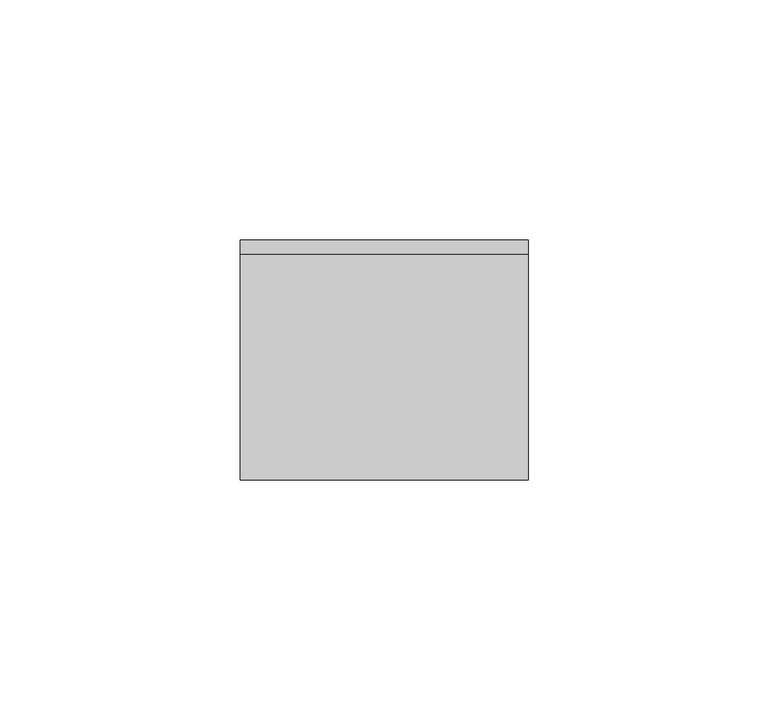
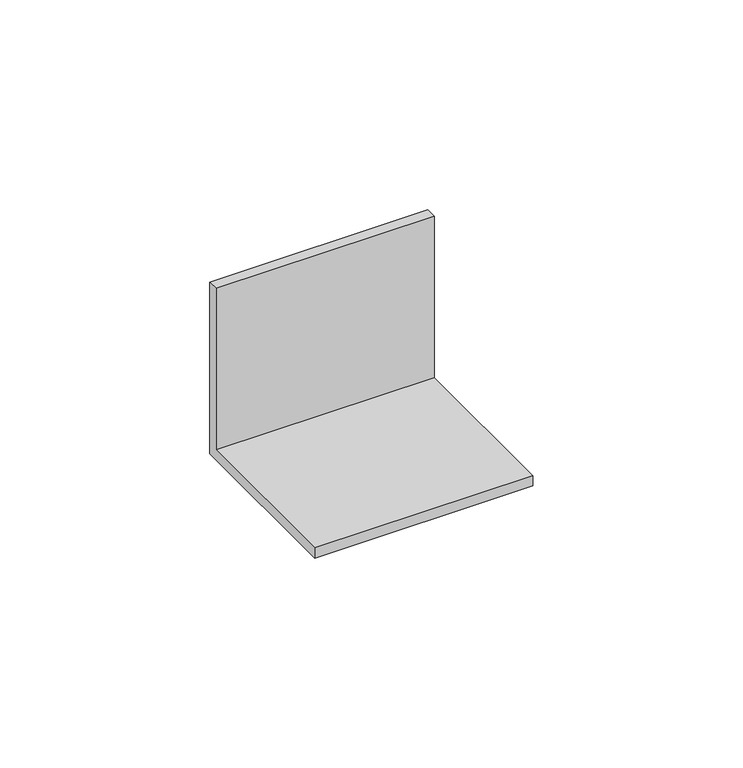
"""IFC4 building model written with IfcOpenShell, lengths in millimetres: proxy geometry."""

from ifc_helpers import new_model, si_unit, frame, origin, place, context, project, spatial, polyline, outline, extrude, source, transform, mapped, element, save


def generic_models_e0213a8b(model_context):
    return source(origin(), model_context, "Body", "SweptSolid", [
        extrude(outline(polyline([(0.0, 0.0), (0.0, 3.0), (47.0, 3.0), (47.0, 50.0), (50.0, 50.0), (50.0, 0.0), (0.0, 0.0)])), frame((0.0, 0.0, 0.0), z_axis=(1.0, 0.0, 0.0), x_axis=(0.0, 1.0, 0.0)), (0.0, 0.0, 1.0), 60.0),
    ])


if __name__ == "__main__":
    model = new_model("IFC4")
    model_context = context("Model", 3, world=origin())
    ifc_project = project(units=[si_unit("LENGTHUNIT", "METRE", prefix="MILLI")], contexts=[model_context])
    site = spatial("IfcSite", under=ifc_project)
    building = spatial("IfcBuilding", under=site)
    placement = place(None, origin())
    generic_models_shape = generic_models_e0213a8b(model_context)
    element("IfcBuildingElementProxy", 1, Name="Generic Models", at=placement, inside=building, context=model_context, shape_type="MappedRepresentation", body=[
        mapped(generic_models_shape, transform((0.0, 0.0, 0.0), x_axis=(1.0, 0.0, 0.0), y_axis=(0.0, 1.0, 0.0), z_axis=(0.0, 0.0, 1.0))),
    ])
    save(model, "model.ifc")
